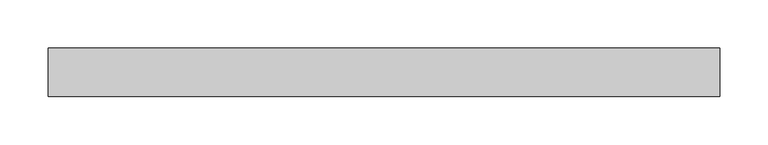
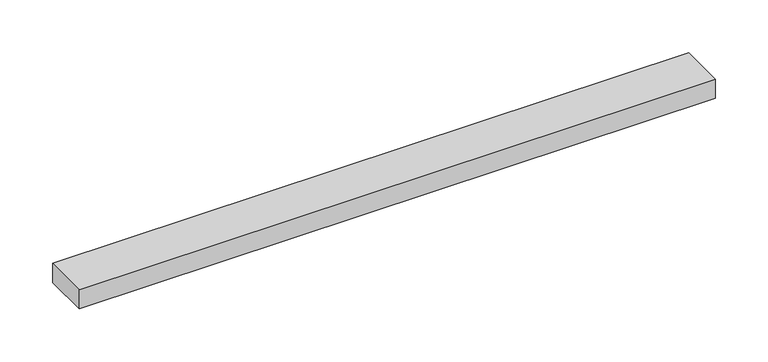
"""IFC4 building model written with IfcOpenShell, lengths in millimetres: beam geometry."""

from ifc_helpers import new_model, si_unit, frame, origin, place, context, project, spatial, polyline, outline, extrude, source, transform, mapped, element, save


def beam_ec91d525(model_context):
    return source(origin(), model_context, "Body", "SweptSolid", [
        extrude(outline(polyline([(346.4101615, 25.0), (346.4101615, -25.0), (-346.4101615, -25.0), (-346.4101615, 25.0), (346.4101615, 25.0)])), frame((0.0, 0.0, -11.0), z_axis=(0.0, 0.0, 1.0), x_axis=(1.0, 0.0, 0.0)), (0.0, 0.0, 1.0), 22.0),
    ])


if __name__ == "__main__":
    model = new_model("IFC4")
    model_context = context("Model", 3, world=origin())
    ifc_project = project(units=[si_unit("LENGTHUNIT", "METRE", prefix="MILLI")], contexts=[model_context])
    site = spatial("IfcSite", under=ifc_project)
    building = spatial("IfcBuilding", under=site)
    placement = place(None, origin())
    beam_shape = beam_ec91d525(model_context)
    element("IfcBeam", 1, at=placement, inside=building, context=model_context, shape_type="MappedRepresentation", body=[
        mapped(beam_shape, transform((0.0, 0.0, 0.0), x_axis=(1.0, 0.0, 0.0), y_axis=(0.0, 1.0, 0.0), z_axis=(0.0, 0.0, 1.0))),
    ])
    save(model, "model.ifc")
